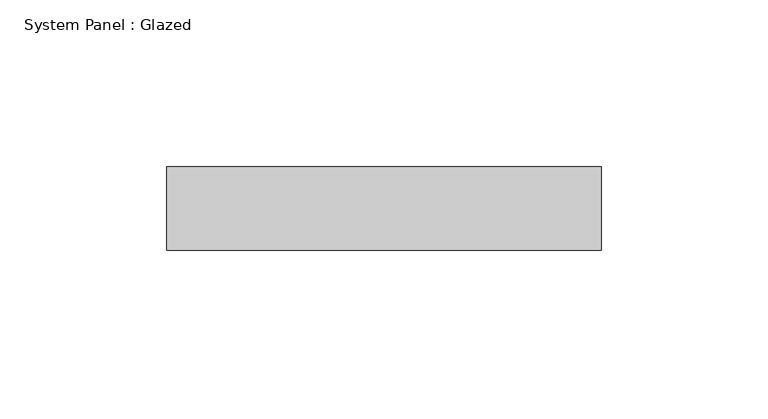
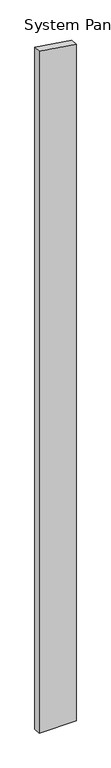
"""IFC4 building model written with IfcOpenShell, lengths in millimetres: plate geometry, System Panel : Glazed."""

from ifc_helpers import new_model, si_unit, frame, origin, place, context, project, spatial, polyline, outline, extrude, source, transform, mapped, element, save


def system_panel_glazed_efdd7d86(model_context):
    return source(origin(), model_context, "Body", "SweptSolid", [
        extrude(outline(polyline([(0.0, -65.0), (0.0, 65.0), (2512.7149382, 65.0), (2531.942456, -65.0), (0.0, -65.0)])), frame((0.0, 24.5, 0.0), z_axis=(0.0, 1.0, 0.0), x_axis=(0.0, 0.0, 1.0)), (0.0, 0.0, 1.0), 25.0),
    ])


if __name__ == "__main__":
    model = new_model("IFC4")
    model_context = context("Model", 3, world=origin())
    ifc_project = project(units=[si_unit("LENGTHUNIT", "METRE", prefix="MILLI")], contexts=[model_context])
    site = spatial("IfcSite", under=ifc_project)
    building = spatial("IfcBuilding", under=site)
    placement = place(None, origin())
    system_panel_glazed_shape = system_panel_glazed_efdd7d86(model_context)
    element("IfcPlate", 1, ObjectType="System Panel : Glazed", at=placement, inside=building, context=model_context, shape_type="MappedRepresentation", body=[
        mapped(system_panel_glazed_shape, transform((0.0, 0.0, 0.0), x_axis=(1.0, 0.0, 0.0), y_axis=(0.0, 1.0, 0.0), z_axis=(0.0, 0.0, 1.0))),
    ])
    save(model, "model.ifc")
